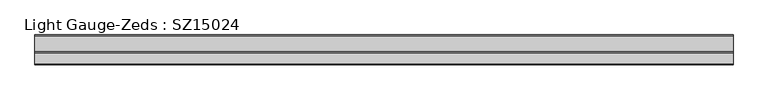
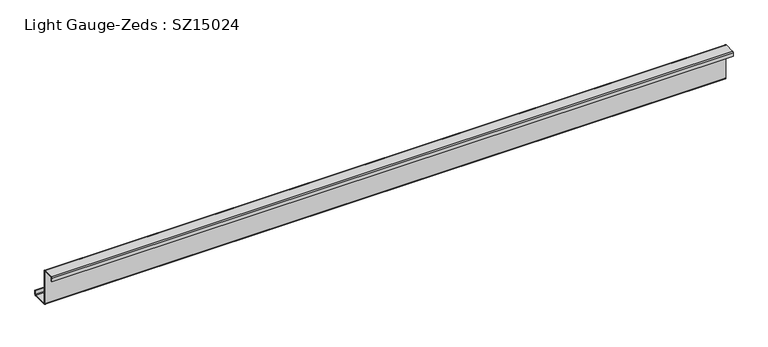
"""IFC4 building model written with IfcOpenShell, lengths in millimetres: beam geometry, Light Gauge-Zeds : SZ15024."""

from ifc_helpers import new_model, si_unit, point, frame, frame_2d, origin, place, context, project, spatial, polyline, circle_curve, trimmed, segment, composite_curve, outline, extrude, source, transform, mapped, element, save


def light_gauge_zeds_sz15024_c98f19b2(model_context):
    return source(origin(), model_context, "Body", "SweptSolid", [
        extrude(outline(composite_curve([segment(polyline([(0.0, -71.6), (0.0, 71.6)]), True, "CONTINUOUS"), segment(trimmed(circle_curve(frame_2d((-2.0, 71.6)), 2.0), [point((0.0, 71.6))], [point((-2.0, 73.6))], True, "CARTESIAN"), True, "CONTINUOUS"), segment(polyline([(-2.0, 73.6), (-47.6, 73.6)]), True, "CONTINUOUS"), segment(trimmed(circle_curve(frame_2d((-47.6, 71.6)), 2.0), [point((-47.6, 73.6))], [point((-49.6, 71.6))], True, "CARTESIAN"), True, "CONTINUOUS"), segment(polyline([(-49.6, 71.6), (-49.6, 57.0), (-52.0, 57.0), (-52.0, 71.6)]), True, "CONTINUOUS"), segment(trimmed(circle_curve(frame_2d((-47.6, 71.6)), 4.4), [point((-52.0, 71.6))], [point((-47.6, 76.0))], False, "CARTESIAN"), True, "CONTINUOUS"), segment(polyline([(-47.6, 76.0), (-2.0, 76.0)]), True, "CONTINUOUS"), segment(trimmed(circle_curve(frame_2d((-2.0, 71.6)), 4.4), [point((-2.0, 76.0))], [point((2.4, 71.6))], False, "CARTESIAN"), True, "CONTINUOUS"), segment(polyline([(2.4, 71.6), (2.4, -71.6)]), True, "CONTINUOUS"), segment(trimmed(circle_curve(frame_2d((4.4, -71.6)), 2.0), [point((2.4, -71.6))], [point((4.4, -73.6))], True, "CARTESIAN"), True, "CONTINUOUS"), segment(polyline([(4.4, -73.6), (65.6, -73.6)]), True, "CONTINUOUS"), segment(trimmed(circle_curve(frame_2d((65.6, -71.6)), 2.0), [point((65.6, -73.6))], [point((67.6, -71.6))], True, "CARTESIAN"), True, "CONTINUOUS"), segment(polyline([(67.6, -71.6), (67.6, -56.0), (70.0, -56.0), (70.0, -71.6)]), True, "CONTINUOUS"), segment(trimmed(circle_curve(frame_2d((65.6, -71.6)), 4.4), [point((70.0, -71.6))], [point((65.6, -76.0))], False, "CARTESIAN"), True, "CONTINUOUS"), segment(polyline([(65.6, -76.0), (4.4, -76.0)]), True, "CONTINUOUS"), segment(trimmed(circle_curve(frame_2d((4.4, -71.6)), 4.4), [point((4.4, -76.0))], [point((0.0, -71.6))], False, "CARTESIAN"), True, "CONTINUOUS")], self_intersect=False)), frame((-1425.0, 0.0, 0.0), z_axis=(1.0, 0.0, 0.0), x_axis=(0.0, 1.0, 0.0)), (0.0, 0.0, 1.0), 2837.0),
    ])


if __name__ == "__main__":
    model = new_model("IFC4")
    model_context = context("Model", 3, world=origin())
    ifc_project = project(units=[si_unit("LENGTHUNIT", "METRE", prefix="MILLI")], contexts=[model_context])
    site = spatial("IfcSite", under=ifc_project)
    building = spatial("IfcBuilding", under=site)
    placement = place(None, origin())
    light_gauge_zeds_sz15024_shape = light_gauge_zeds_sz15024_c98f19b2(model_context)
    element("IfcBeam", 1, ObjectType="Light Gauge-Zeds : SZ15024", at=placement, inside=building, context=model_context, shape_type="MappedRepresentation", body=[
        mapped(light_gauge_zeds_sz15024_shape, transform((0.0, 0.0, 0.0), x_axis=(1.0, 0.0, 0.0), y_axis=(0.0, 1.0, 0.0), z_axis=(0.0, 0.0, 1.0))),
    ])
    save(model, "model.ifc")
